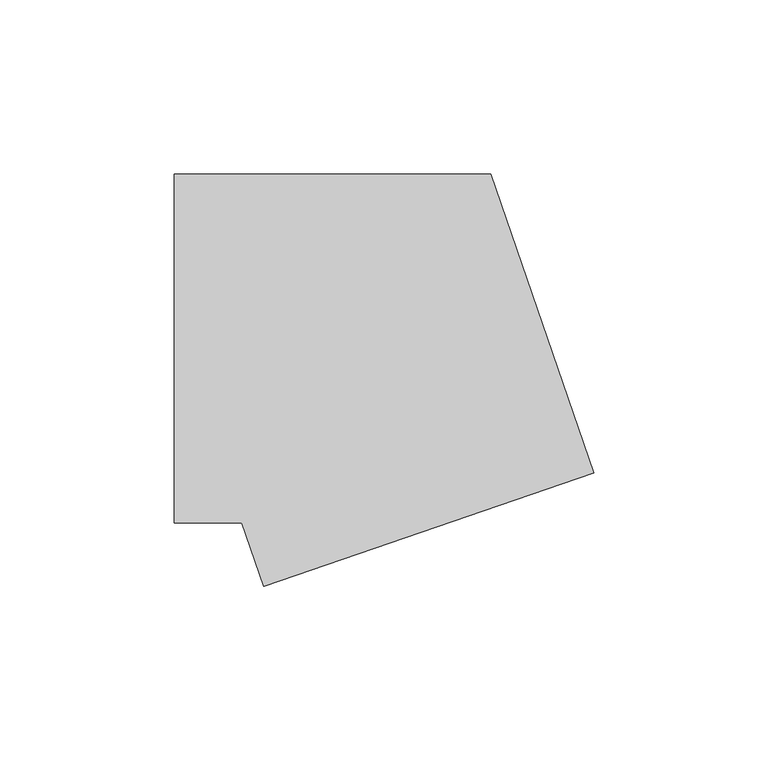
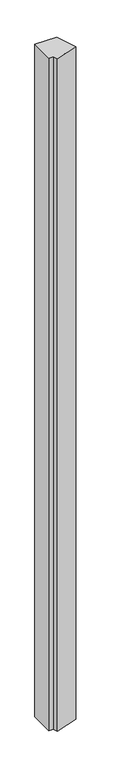
"""IFC4 building model written with IfcOpenShell, lengths in millimetres: member geometry."""

from ifc_helpers import new_model, si_unit, frame, origin, place, context, project, spatial, polyline, outline, extrude, source, transform, mapped, element, save


def member_d3c18b37(model_context):
    return source(origin(), model_context, "Body", "SweptSolid", [
        extrude(outline(polyline([(-29.3696803, -68.2819294), (-35.6646534, -50.0), (-55.0, -50.0), (-55.0, 50.0), (35.6646534, 50.0), (65.1821773, -35.7251139), (-29.3696803, -68.2819294)])), frame((0.0, 0.0, -2966.9289604), z_axis=(0.0, 0.0, 1.0), x_axis=(1.0, 0.0, 0.0)), (0.0, 0.0, 1.0), 2966.9289604),
    ])


if __name__ == "__main__":
    model = new_model("IFC4")
    model_context = context("Model", 3, world=origin())
    ifc_project = project(units=[si_unit("LENGTHUNIT", "METRE", prefix="MILLI")], contexts=[model_context])
    site = spatial("IfcSite", under=ifc_project)
    building = spatial("IfcBuilding", under=site)
    placement = place(None, origin())
    member_shape = member_d3c18b37(model_context)
    element("IfcMember", 1, at=placement, inside=building, context=model_context, shape_type="MappedRepresentation", body=[
        mapped(member_shape, transform((0.0, 0.0, 0.0), x_axis=(1.0, 0.0, 0.0), y_axis=(0.0, 1.0, 0.0), z_axis=(0.0, 0.0, 1.0))),
    ])
    save(model, "model.ifc")
